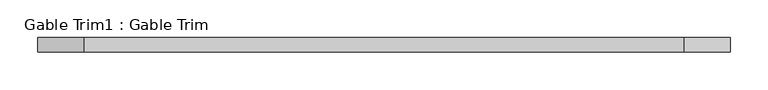
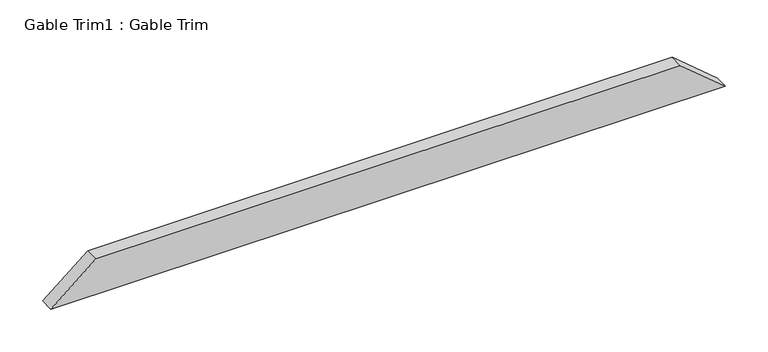
"""IFC4 building model written with IfcOpenShell, lengths in millimetres: proxy geometry, Gable Trim1 : Gable Trim."""

from ifc_helpers import new_model, si_unit, frame, origin, place, context, project, spatial, polyline, outline, extrude, source, transform, mapped, element, save


def gable_trim1_gable_trim_7c567158(model_context):
    return source(origin(), model_context, "Body", "SweptSolid", [
        extrude(outline(polyline([(2312.821866, 21574.5383759), (2262.021866, 21513.5783759), (2262.021866, 22428.4216241), (2312.821866, 22367.4616241), (2312.821866, 21574.5383759)])), frame((0.0, 3263.9, 0.0), z_axis=(0.0, 1.0, 0.0), x_axis=(0.0, 0.0, 1.0)), (0.0, 0.0, 1.0), 19.05),
    ])


if __name__ == "__main__":
    model = new_model("IFC4")
    model_context = context("Model", 3, world=origin())
    ifc_project = project(units=[si_unit("LENGTHUNIT", "METRE", prefix="MILLI")], contexts=[model_context])
    site = spatial("IfcSite", under=ifc_project)
    building = spatial("IfcBuilding", under=site)
    placement = place(None, origin())
    gable_trim1_gable_trim_shape = gable_trim1_gable_trim_7c567158(model_context)
    element("IfcBuildingElementProxy", 1, Name="Gable Trim1 : Gable Trim", ObjectType="Gable Trim1 : Gable Trim", at=placement, inside=building, context=model_context, shape_type="MappedRepresentation", body=[
        mapped(gable_trim1_gable_trim_shape, transform((0.0, 0.0, 0.0), x_axis=(1.0, 0.0, 0.0), y_axis=(0.0, 1.0, 0.0), z_axis=(0.0, 0.0, 1.0))),
    ])
    save(model, "model.ifc")
